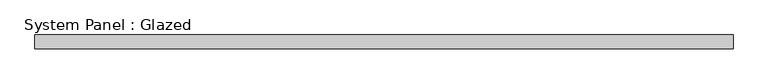
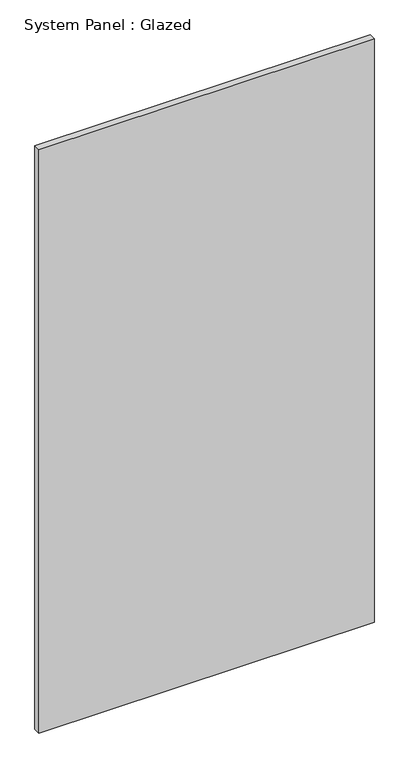
"""IFC4 building model written with IfcOpenShell, lengths in millimetres: plate geometry, System Panel : Glazed."""

import ifcopenshell
import ifcopenshell.guid

model = None  # the IFC model being written
_history = None  # IfcOwnerHistory: only IFC2X3 demands one
_inside = {}  # id of a spatial element -> (the spatial element, [elements in it])
_under = {}  # id of a project, library or spatial element -> (it, [spatial elements below it])
_declared = {}  # id of a project -> (the project, [libraries it declares])
_typed = {}  # id of a type object -> (the type object, [elements of that type])
_made_of = {}  # id of a material, layer set ... -> (it, [elements and type objects made of it])


def new_model(schema):
    """Start an empty IFC model of exactly this schema.

    Asked for "IFC4X3", IfcOpenShell would pick the latest addendum, in which some entities
    have other attributes; the version numbers below select the first issue.
    IFC2X3 requires an IfcOwnerHistory on every rooted entity: one is made here for all.
    """
    global model, _history
    if schema == "IFC4X3":
        model = ifcopenshell.file(schema_version=(4, 3, 0, 0))
    else:
        model = ifcopenshell.file(schema=schema)
    _inside.clear()
    _under.clear()
    _declared.clear()
    _typed.clear()
    _made_of.clear()
    _history = None
    if model.schema == "IFC2X3":
        org = make("IfcOrganization", Name="unknown")
        user = make(
            "IfcPersonAndOrganization",
            ThePerson=make("IfcPerson", FamilyName="unknown"),
            TheOrganization=org,
        )
        app = make(
            "IfcApplication",
            ApplicationDeveloper=org,
            Version="unknown",
            ApplicationFullName="unknown",
            ApplicationIdentifier="unknown",
        )
        _history = make(
            "IfcOwnerHistory",
            OwningUser=user,
            OwningApplication=app,
            ChangeAction="ADDED",
            CreationDate=0,
        )
    return model


def make(cls, **values):
    """One entity of the class cls with the attributes given. An attribute that is None is left unset."""
    return model.create_entity(
        cls, **{name: value for name, value in values.items() if value is not None}
    )


def rooted(cls, **values):
    """An entity with a GlobalId (a new one), such as an element, a storey or a relation."""
    return make(cls, GlobalId=ifcopenshell.guid.new(), OwnerHistory=_history, **values)


def si_unit(unit_type, name, prefix=None):
    """IfcSIUnit, for example si_unit("LENGTHUNIT", "METRE", prefix="MILLI")."""
    return make("IfcSIUnit", UnitType=unit_type, Prefix=prefix, Name=name)


def assignment(units):
    """IfcUnitAssignment: the units of a project."""
    return None if units is None else make("IfcUnitAssignment", Units=units)


def point(xyz):
    """IfcCartesianPoint."""
    return None if xyz is None else make("IfcCartesianPoint", Coordinates=xyz)


def direction(xyz):
    """IfcDirection."""
    return None if xyz is None else make("IfcDirection", DirectionRatios=xyz)


def frame(location, z_axis=None, x_axis=None):
    """IfcAxis2Placement3D, a coordinate frame: its origin and axes. An axis left out is left unset."""
    return make(
        "IfcAxis2Placement3D",
        Location=point(location),
        Axis=direction(z_axis),
        RefDirection=direction(x_axis),
    )


def origin():
    """The frame at (0, 0, 0) with its axes left unset."""
    return frame((0.0, 0.0, 0.0))


def origin_with_axes():
    """The frame at (0, 0, 0) with the z axis (0, 0, 1) and the x axis (1, 0, 0) written out."""
    return frame((0.0, 0.0, 0.0), z_axis=(0.0, 0.0, 1.0), x_axis=(1.0, 0.0, 0.0))


def place(relative_to, where):
    """IfcLocalPlacement: puts the frame where relative to a parent placement (None: the world)."""
    return make(
        "IfcLocalPlacement", PlacementRelTo=relative_to, RelativePlacement=where
    )


def context(
    kind, dimensions, precision=None, world=None, true_north=None, identifier=None
):
    """IfcGeometricRepresentationContext, for example the 3D "Model" context."""
    return make(
        "IfcGeometricRepresentationContext",
        ContextIdentifier=identifier,
        ContextType=kind,
        CoordinateSpaceDimension=dimensions,
        Precision=precision,
        WorldCoordinateSystem=world,
        TrueNorth=true_north,
    )


def project(units=None, contexts=None):
    """IfcProject with its units and contexts."""
    return rooted(
        "IfcProject",
        Name="project",
        RepresentationContexts=contexts,
        UnitsInContext=assignment(units),
    )


def spatial(cls, under=None, at=None, **own):
    """A site, building, storey or space (cls), placed at a placement, below another one or the project."""
    s = rooted(cls, ObjectPlacement=at, **own)
    if under is not None:
        _under.setdefault(under.id(), (under, []))[1].append(s)
    return s


def polyline(points):
    """IfcPolyline through the points."""
    return make("IfcPolyline", Points=[point(p) for p in points])


def outline(outer, holes=None, kind="AREA"):
    """IfcArbitraryClosedProfileDef: a profile drawn as a closed curve; with holes, ...WithVoids."""
    if holes is None:
        return make("IfcArbitraryClosedProfileDef", ProfileType=kind, OuterCurve=outer)
    return make(
        "IfcArbitraryProfileDefWithVoids",
        ProfileType=kind,
        OuterCurve=outer,
        InnerCurves=holes,
    )


def extrude(swept, where, along, depth):
    """IfcExtrudedAreaSolid: the profile swept, set in the frame where, extruded along a direction by depth."""
    return make(
        "IfcExtrudedAreaSolid",
        SweptArea=swept,
        Position=where,
        ExtrudedDirection=direction(along),
        Depth=depth,
    )


def shape(context_of_items, identifier, shape_type, items):
    """IfcShapeRepresentation: the items that make up one representation, for example the "Body"."""
    return make(
        "IfcShapeRepresentation",
        ContextOfItems=context_of_items,
        RepresentationIdentifier=identifier,
        RepresentationType=shape_type,
        Items=items,
    )


def source(mapping_origin, context_of_items, identifier, shape_type, items):
    """IfcRepresentationMap: a shape defined once, which mapped items show again and again."""
    return make(
        "IfcRepresentationMap",
        MappingOrigin=mapping_origin,
        MappedRepresentation=shape(context_of_items, identifier, shape_type, items),
    )


def transform(
    local_origin,
    x_axis=None,
    y_axis=None,
    z_axis=None,
    scale=None,
    scale2=None,
    scale3=None,
    uniform=True,
):
    """IfcCartesianTransformationOperator3D, or its non-uniform kind. x_axis, y_axis, z_axis: its Axis1, 2, 3."""
    if uniform:
        return make(
            "IfcCartesianTransformationOperator3D",
            Axis1=direction(x_axis),
            Axis2=direction(y_axis),
            LocalOrigin=point(local_origin),
            Scale=scale,
            Axis3=direction(z_axis),
        )
    return make(
        "IfcCartesianTransformationOperator3DnonUniform",
        Axis1=direction(x_axis),
        Axis2=direction(y_axis),
        LocalOrigin=point(local_origin),
        Scale=scale,
        Axis3=direction(z_axis),
        Scale2=scale2,
        Scale3=scale3,
    )


def mapped(mapping_source, mapping_target):
    """IfcMappedItem: shows the shape of a source again, moved by a transform."""
    return make(
        "IfcMappedItem", MappingSource=mapping_source, MappingTarget=mapping_target
    )


def made_of(thing, what):
    """Note that an element or type object is made of a material, layer set ...; save() writes the relation."""
    if what is not None:
        _made_of.setdefault(what.id(), (what, []))[1].append(thing)
    return thing


def element(
    cls,
    number,
    at=None,
    inside=None,
    cuts=None,
    type_object=None,
    material=None,
    context=None,
    identifier="Body",
    shape_type=None,
    held_by="IfcProductDefinitionShape",
    body=None,
    shapes=None,
    **own,
):
    """One element of the class cls, such as IfcWall. Its Tag is "e" and its number.

    at: its placement. inside: the storey or other place that contains it. cuts: it is an
    opening in that element (IfcRelVoidsElement). A single representation is given by context,
    identifier, shape_type and body (its items); several are given by shapes. held_by: the class
    of the entity that holds the representations. save() writes the other relations.
    """
    e = rooted(cls, Tag="e%d" % number, ObjectPlacement=at, **own)
    if body is not None:
        shapes = [shape(context, identifier, shape_type, body)]
    if shapes is not None:
        e.Representation = make(held_by, Representations=shapes)
    if inside is not None:
        _inside.setdefault(inside.id(), (inside, []))[1].append(e)
    if cuts is not None:
        rooted(
            "IfcRelVoidsElement", RelatingBuildingElement=cuts, RelatedOpeningElement=e
        )
    if type_object is not None:
        _typed.setdefault(type_object.id(), (type_object, []))[1].append(e)
    return made_of(e, material)


def aggregate(whole, parts):
    """IfcRelAggregates: a whole, such as a stair, and the parts it consists of."""
    return rooted("IfcRelAggregates", RelatingObject=whole, RelatedObjects=parts)


def save(model, path):
    """Write the relations noted so far, then the file.

    IfcRelAggregates (storeys below a building ...), IfcRelContainedInSpatialStructure (elements
    in a storey), IfcRelDefinesByType, IfcRelAssociatesMaterial and IfcRelDeclares: one each for
    every whole, place, type object, material and project.
    """
    for whole, parts in _under.values():
        aggregate(whole, parts)
    for where, things in _inside.values():
        rooted(
            "IfcRelContainedInSpatialStructure",
            RelatedElements=things,
            RelatingStructure=where,
        )
    for kind, things in _typed.values():
        rooted("IfcRelDefinesByType", RelatedObjects=things, RelatingType=kind)
    for what, things in _made_of.values():
        rooted("IfcRelAssociatesMaterial", RelatedObjects=things, RelatingMaterial=what)
    for by, libraries in _declared.values():
        rooted("IfcRelDeclares", RelatingContext=by, RelatedDefinitions=libraries)
    model.write(path)


def system_panel_glazed_199f5dd1(model_context):
    return source(origin(), model_context, "Body", "SweptSolid", [
        extrude(outline(polyline([(632.0882652, 24.5), (-632.0882652, 24.5), (-632.0882652, 49.5), (632.0882652, 49.5), (632.0882652, 24.5)])), origin_with_axes(), (0.0, 0.0, 1.0), 2325.0),
    ])


if __name__ == "__main__":
    model = new_model("IFC4")
    model_context = context("Model", 3, world=origin())
    ifc_project = project(units=[si_unit("LENGTHUNIT", "METRE", prefix="MILLI")], contexts=[model_context])
    site = spatial("IfcSite", under=ifc_project)
    building = spatial("IfcBuilding", under=site)
    placement = place(None, origin())
    system_panel_glazed_shape = system_panel_glazed_199f5dd1(model_context)
    element("IfcPlate", 1, ObjectType="System Panel : Glazed", at=placement, inside=building, context=model_context, shape_type="MappedRepresentation", body=[
        mapped(system_panel_glazed_shape, transform((0.0, 0.0, 0.0), x_axis=(1.0, 0.0, 0.0), y_axis=(0.0, 1.0, 0.0), z_axis=(0.0, 0.0, 1.0))),
    ])
    save(model, "model.ifc")
